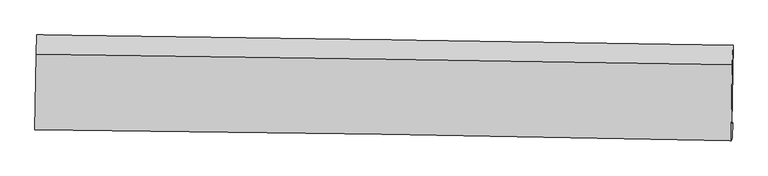
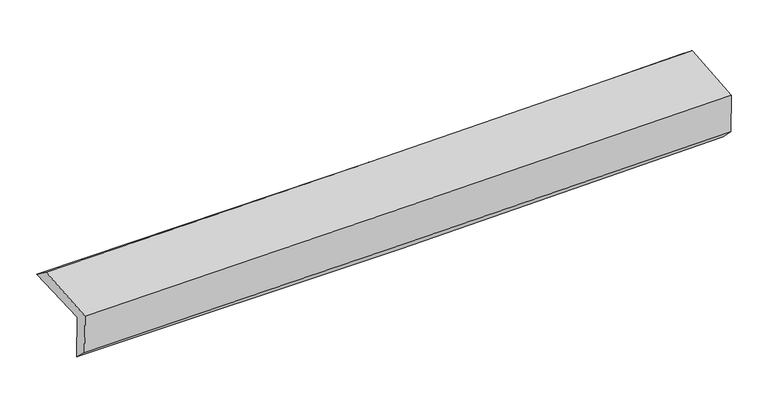
"""IFC4 building model written with IfcOpenShell, lengths in millimetres: proxy geometry."""

from ifc_helpers import new_model, si_unit, frame, origin, place, context, project, spatial, source, transform, mapped, element, save
from ifc_brep_helpers import plane_surface, spline_curve, spline_surface, advanced_brep


def generic_models_405cc371(model_context):
    return source(origin(), model_context, "Body", "AdvancedBrep", [
        advanced_brep(
        [(-3023.9265129, -1766.1357975, 1976.2351196), (-3013.0007526, -1086.3886977, 1989.1442305), (3010.9681874, -1174.0551808, 2122.938754), (2999.9313211, -1864.3573735, 2121.6337117), (-3013.9964435, -1747.1433185, 1568.3591516), (3010.0267702, -1845.0485855, 1706.9648005), (-3018.9280542, -1876.7307432, 1686.7267188), (3004.918047, -1975.0928443, 1835.0924317), (-3028.4478804, -1905.4014857, 2070.4202347), (2995.408375, -2003.7489475, 2218.58901), (-3018.6137285, -1252.7809115, 2110.6213622), (3004.9961006, -1346.1389433, 2259.0895775)],
        [
            (0, 1),
            (1, 2, spline_curve(3, [(-3013.0007526, -1086.3886977, 1989.1442305), (-2008.502027821, -1100.744324901, 1990.2519468), (-1004.254730128, -1115.227686565, 2001.95537158), (1003.734915762, -1144.449848144, 2046.553590085), (2007.47726458, -1159.188647614, 2079.448340178), (3010.9681874, -1174.0551808, 2122.938754)], [4, 2, 4], [0.0, 9.886360738038956, 19.77270084494318])),
            (2, 3),
            (3, 0, spline_curve(3, [(2999.9313211, -1864.3573735, 2121.6337117), (1996.659286134, -1840.881497338, 2072.407162279), (993.035640058, -1820.958433096, 2035.677338021), (-1014.916969586, -1788.217892742, 1987.211088209), (-2019.245934777, -1775.400432034, 1975.474715437), (-3023.9265129, -1766.1357975, 1976.2351196)], [4, 2, 4], [0.0, 9.886340106904225, 19.77270084494318])),
            (4, 0),
            (3, 5),
            (5, 4, spline_curve(3, [(3010.0267702, -1845.0485855, 1706.9648005), (2006.672045526, -1821.730863965, 1661.134721429), (1002.993272943, -1801.913235681, 1626.669211698), (-1005.014463728, -1769.278132067, 1580.467281094), (-2009.343428832, -1756.460671141, 1568.730908246), (-3013.9964435, -1747.1433185, 1568.3591516)], [4, 2, 4], [0.0, 9.886712251583619, 19.773445135078575])),
            (6, 4),
            (5, 7),
            (7, 6, spline_curve(3, [(3004.918047, -1975.0928443, 1835.0924317), (2001.182940198, -1952.663922419, 1804.347416697), (997.328735461, -1933.25262508, 1776.611109171), (-1010.619964385, -1900.465245509, 1727.155859227), (-2014.714460329, -1887.089175772, 1705.436928661), (-3018.9280542, -1876.7307432, 1686.7267188)], [4, 2, 4], [0.0, 9.886190162611872, 19.772400956045566])),
            (8, 6),
            (7, 9),
            (9, 8, spline_curve(3, [(2995.408375, -2003.7489475, 2218.58901), (1991.670038312, -1981.327098806, 2187.938819088), (987.813372763, -1961.920557859, 2160.266335676), (-1020.138712091, -1929.138057935, 2110.87673159), (-2024.234131411, -1915.762111494, 2089.159623253), (-3028.4478804, -1905.4014857, 2070.4202347)], [4, 2, 4], [0.0, 9.886049101396374, 19.7721188333202])),
            (10, 8),
            (9, 11),
            (11, 10, spline_curve(3, [(3004.9961006, -1346.1389433, 2259.0895775), (2001.231038854, -1329.149420775, 2228.106113051), (997.381546021, -1312.874830787, 2200.242039494), (-1010.488396463, -1281.755483743, 2150.752621068), (-2014.50884675, -1266.910729741, 2129.127289977), (-3018.6137285, -1252.7809115, 2110.6213622)], [4, 2, 4], [0.0, 9.885760796276438, 19.771542222478683])),
            (1, 10),
            (11, 2),
        ],
        [
            spline_surface(3, 3, [[(-3023.9265129, -1766.1357975, 1976.2351196), (-2019.245934922, -1775.400431967, 1975.474715428), (-1014.9169697, -1788.217892846, 1987.211088358), (993.035640172, -1820.958432992, 2035.677337872), (1996.65928627, -1840.881497479, 2072.407162329), (2999.9313211, -1864.3573735, 2121.6337117)], [(-3020.284592801, -1539.553430893, 1980.538156567), (-2015.664632509, -1550.515062943, 1980.400459261), (-1011.362889813, -1563.887824091, 1992.125849388), (996.602065314, -1595.45557137, 2039.302755306), (2000.265279054, -1613.650547488, 2074.754221613), (3003.610276544, -1634.256642592, 2122.068725811)], [(-3016.642672699, -1312.971064307, 1984.841193533), (-2012.083330091, -1325.629693939, 1985.326203094), (-1007.808809889, -1339.557755336, 1997.04061044), (1000.168490492, -1369.95270975, 2042.928172761), (2003.871271804, -1386.419597522, 2077.101280865), (3007.289231956, -1404.155911708, 2122.503739889)], [(-3013.0007526, -1086.3886977, 1989.1442305), (-2008.502027678, -1100.744324914, 1990.251946927), (-1004.254730001, -1115.22768658, 2001.955371471), (1003.734915635, -1144.449848129, 2046.553590195), (2007.477264587, -1159.188647531, 2079.448340149), (3010.9681874, -1174.0551808, 2122.938754)]], [4, 4], [4, 2, 4], [0.0, 2.2144209233115535], [0.0, 9.886360738038956, 19.77270084494318]),
            spline_surface(3, 3, [[(-3013.9964435, -1747.1433185, 1568.3591516), (-2009.343428889, -1756.460671296, 1568.73090818), (-1005.014463667, -1769.278132075, 1580.46728121), (1002.993272881, -1801.913235673, 1626.669211582), (2006.672045558, -1821.730863914, 1661.134721572), (3010.0267702, -1845.0485855, 1706.9648005)], [(-3017.306466638, -1753.47414484, 1704.317807593), (-2012.644264238, -1762.77392486, 1704.312177256), (-1008.315299015, -1775.591385639, 1716.048550285), (999.674061974, -1808.261634752, 1763.005253705), (2003.334459131, -1828.114408436, 1798.225535167), (3006.661620502, -1851.484848167, 1845.187770909)], [(-3020.616489762, -1759.80497116, 1840.276463607), (-2015.945099574, -1769.087178404, 1839.893446353), (-1011.616134351, -1781.904639283, 1851.629819282), (996.354851079, -1814.610033912, 1899.341295749), (1999.996872698, -1834.497952957, 1935.316348734), (3003.296470798, -1857.921110833, 1983.410741291)], [(-3023.9265129, -1766.1357975, 1976.2351196), (-2019.245934922, -1775.400431967, 1975.474715428), (-1014.9169697, -1788.217892846, 1987.211088358), (993.035640172, -1820.958432992, 2035.677337872), (1996.65928627, -1840.881497479, 2072.407162329), (2999.9313211, -1864.3573735, 2121.6337117)]], [4, 4], [4, 2, 4], [0.0, 1.34002178577389], [0.0, 9.886732883494956, 19.773445135078575]),
            spline_surface(3, 3, [[(-3018.9280542, -1876.7307432, 1686.7267188), (-2014.714460166, -1887.089175755, 1705.436928743), (-1010.619964406, -1900.465245482, 1727.155859101), (997.328735482, -1933.252625107, 1776.611109297), (2001.182940151, -1952.66392242, 1804.347416562), (3004.918047, -1975.0928443, 1835.0924317)], [(-3017.284183974, -1833.534934961, 1647.270863093), (-2012.924116414, -1843.54634093, 1659.868255248), (-1008.751464165, -1856.736207682, 1678.259666444), (999.21691461, -1889.472828631, 1726.630476699), (2003.012641961, -1909.019569572, 1756.60985156), (3006.620954741, -1931.744758021, 1792.383221295)], [(-3015.640313726, -1790.339126739, 1607.815007307), (-2011.133772641, -1800.003506121, 1614.299581675), (-1006.882963908, -1813.007169876, 1629.363473867), (1001.105093753, -1845.693032149, 1676.649844181), (2004.842343748, -1865.375216762, 1708.872286574), (3008.323862459, -1888.396671779, 1749.674010905)], [(-3013.9964435, -1747.1433185, 1568.3591516), (-2009.343428889, -1756.460671296, 1568.73090818), (-1005.014463667, -1769.278132075, 1580.46728121), (1002.993272881, -1801.913235673, 1626.669211582), (2006.672045558, -1821.730863914, 1661.134721572), (3010.0267702, -1845.0485855, 1706.9648005)]], [4, 4], [4, 2, 4], [0.0, 0.6500634952831538], [0.0, 9.886210793433694, 19.772400956045566]),
            spline_surface(3, 3, [[(-3028.4478804, -1905.4014857, 2070.4202347), (-2024.234131451, -1915.762111534, 2089.159623267), (-1020.138711974, -1929.138057982, 2110.876731533), (987.813372646, -1961.920557812, 2160.266335733), (1991.670038342, -1981.327098675, 2187.938819222), (2995.408375, -2003.7489475, 2218.58901)], [(-3025.274605007, -1895.844571533, 1942.522396051), (-2021.060907697, -1906.204466274, 1961.252058409), (-1016.9657961, -1919.580453826, 1982.969774077), (990.985160276, -1952.364580254, 2032.381260276), (1994.84100561, -1971.772706608, 2060.075018319), (2998.578265665, -1994.196913119, 2090.756817217)], [(-3022.101329593, -1886.287657367, 1814.624557449), (-2017.88768392, -1896.646821015, 1833.344493601), (-1013.79288028, -1910.022849639, 1855.062816557), (994.156947852, -1942.808602665, 1904.496184754), (1998.011972883, -1962.218314486, 1932.211217465), (3001.748156335, -1984.644878681, 1962.924624483)], [(-3018.9280542, -1876.7307432, 1686.7267188), (-2014.714460166, -1887.089175755, 1705.436928743), (-1010.619964406, -1900.465245482, 1727.155859101), (997.328735482, -1933.252625107, 1776.611109297), (2001.182940151, -1952.66392242, 1804.347416562), (3004.918047, -1975.0928443, 1835.0924317)]], [4, 4], [4, 2, 4], [0.0, 1.2627146110892615], [0.0, 9.886069731923826, 19.7721188333202]),
            spline_surface(3, 3, [[(-3018.6137285, -1252.7809115, 2110.6213622), (-2014.508846836, -1266.910729821, 2129.127289927), (-1010.488396563, -1281.755483813, 2150.752621225), (997.381546122, -1312.874830717, 2200.242039337), (2001.231038874, -1329.149420685, 2228.106113155), (3004.9961006, -1346.1389433, 2259.0895775)], [(-3021.891779127, -1470.321102904, 2097.220986364), (-2017.750608368, -1483.19452373, 2115.804734371), (-1013.70516838, -1497.549675195, 2137.460657975), (994.19215495, -1529.223406408, 2186.916804782), (1998.044038679, -1546.54198001, 2214.717015188), (3001.800192049, -1565.342278028, 2245.589388345)], [(-3025.169829773, -1687.861294296, 2083.820610536), (-2020.992369919, -1699.478317626, 2102.482178823), (-1016.921940157, -1713.3438666, 2124.168694784), (991.002763818, -1745.571982121, 2173.591570288), (1994.857038537, -1763.93453935, 2201.327917188), (2998.604283551, -1784.545612772, 2232.089199155)], [(-3028.4478804, -1905.4014857, 2070.4202347), (-2024.234131451, -1915.762111534, 2089.159623267), (-1020.138711974, -1929.138057982, 2110.876731533), (987.813372646, -1961.920557812, 2160.266335733), (1991.670038342, -1981.327098675, 2187.938819222), (2995.408375, -2003.7489475, 2218.58901)]], [4, 4], [4, 2, 4], [0.0, 2.130950315682031], [0.0, 9.885781426202245, 19.771542222478683]),
            spline_surface(3, 3, [[(-3013.0007526, -1086.3886977, 1989.1442305), (-2008.502027678, -1100.744324914, 1990.251946927), (-1004.254730001, -1115.22768658, 2001.955371471), (1003.734915635, -1144.449848129, 2046.553590195), (2007.477264587, -1159.188647531, 2079.448340149), (3010.9681874, -1174.0551808, 2122.938754)], [(-3014.871744553, -1141.852768969, 2029.636607733), (-2010.504300717, -1156.133126552, 2036.543727927), (-1006.332618839, -1170.736952347, 2051.554454728), (1001.617125813, -1200.591509015, 2097.783073248), (2005.395189349, -1215.842238589, 2129.000931142), (3008.977491799, -1231.416434973, 2168.322361824)], [(-3016.742736547, -1197.316840231, 2070.128984967), (-2012.506573797, -1211.521928183, 2082.835508927), (-1008.410507726, -1226.246218046, 2101.153537968), (999.499335943, -1256.733169831, 2149.012556283), (2003.313114113, -1272.495829627, 2178.553522162), (3006.986796201, -1288.777689127, 2213.705969676)], [(-3018.6137285, -1252.7809115, 2110.6213622), (-2014.508846836, -1266.910729821, 2129.127289927), (-1010.488396563, -1281.755483813, 2150.752621225), (997.381546122, -1312.874830717, 2200.242039337), (2001.231038874, -1329.149420685, 2228.106113155), (3004.9961006, -1346.1389433, 2259.0895775)]], [4, 4], [4, 2, 4], [0.0, 0.7406444061696584], [0.0, 9.885612048161722, 19.7712034667511]),
            plane_surface(frame((3004.3748002, -1701.4069791, 2044.0513809), z_axis=(0.999593256612, -0.016026550043588533, 0.023589638181132862), x_axis=(0.0247207827899433, 0.07449271666295941, -0.9969151007294575))),
            plane_surface(frame((-3019.485562, -1605.7634924, 1900.2511363), z_axis=(-0.9995858593806799, 0.01651417316175604, -0.023566752236385696), x_axis=(-0.01606829994550349, -0.9996906385904294, -0.018985174519100704))),
        ],
        [
            (0, [[1, 2, 3, 4]]),
            (1, [[5, -4, 6, 7]]),
            (2, [[8, -7, 9, 10]]),
            (3, [[11, -10, 12, 13]]),
            (4, [[14, -13, 15, 16]]),
            (5, [[17, -16, 18, -2]]),
            (6, [[-12, -9, -6, -3, -18, -15]]),
            (7, [[-1, -5, -8, -11, -14, -17]]),
        ],
    ),
    ])


if __name__ == "__main__":
    model = new_model("IFC4")
    model_context = context("Model", 3, world=origin())
    ifc_project = project(units=[si_unit("LENGTHUNIT", "METRE", prefix="MILLI")], contexts=[model_context])
    site = spatial("IfcSite", under=ifc_project)
    building = spatial("IfcBuilding", under=site)
    placement = place(None, origin())
    generic_models_shape = generic_models_405cc371(model_context)
    element("IfcBuildingElementProxy", 1, Name="Generic Models", at=placement, inside=building, context=model_context, shape_type="MappedRepresentation", body=[
        mapped(generic_models_shape, transform((0.0, 0.0, 0.0), x_axis=(1.0, 0.0, 0.0), y_axis=(0.0, 1.0, 0.0), z_axis=(0.0, 0.0, 1.0))),
    ])
    save(model, "model.ifc")
